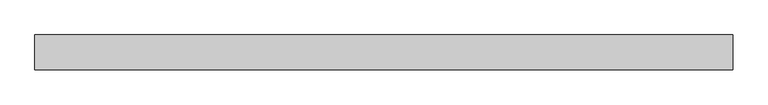
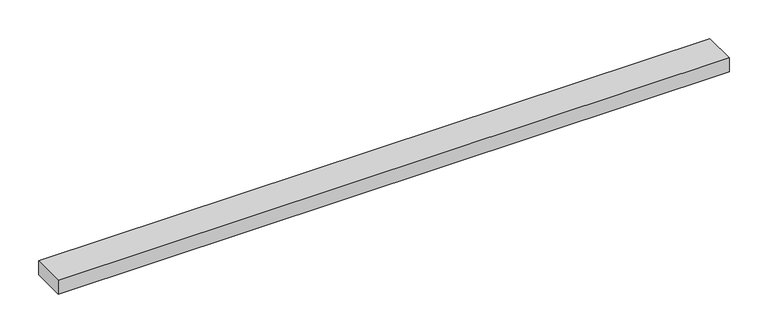
"""IFC4 building model written with IfcOpenShell, lengths in millimetres: beam geometry."""

from ifc_helpers import new_model, si_unit, frame, origin, place, context, project, spatial, polyline, outline, extrude, source, transform, mapped, element, save


def beam_9641fcfc(model_context):
    return source(origin(), model_context, "Body", "SweptSolid", [
        extrude(outline(polyline([(500.0, 25.0), (500.0, -25.0), (-500.0, -25.0), (-500.0, 25.0), (500.0, 25.0)])), frame((0.0, 0.0, -11.0), z_axis=(0.0, 0.0, 1.0), x_axis=(1.0, 0.0, 0.0)), (0.0, 0.0, 1.0), 22.0),
    ])


if __name__ == "__main__":
    model = new_model("IFC4")
    model_context = context("Model", 3, world=origin())
    ifc_project = project(units=[si_unit("LENGTHUNIT", "METRE", prefix="MILLI")], contexts=[model_context])
    site = spatial("IfcSite", under=ifc_project)
    building = spatial("IfcBuilding", under=site)
    placement = place(None, origin())
    beam_shape = beam_9641fcfc(model_context)
    element("IfcBeam", 1, at=placement, inside=building, context=model_context, shape_type="MappedRepresentation", body=[
        mapped(beam_shape, transform((0.0, 0.0, 0.0), x_axis=(1.0, 0.0, 0.0), y_axis=(0.0, 1.0, 0.0), z_axis=(0.0, 0.0, 1.0))),
    ])
    save(model, "model.ifc")
